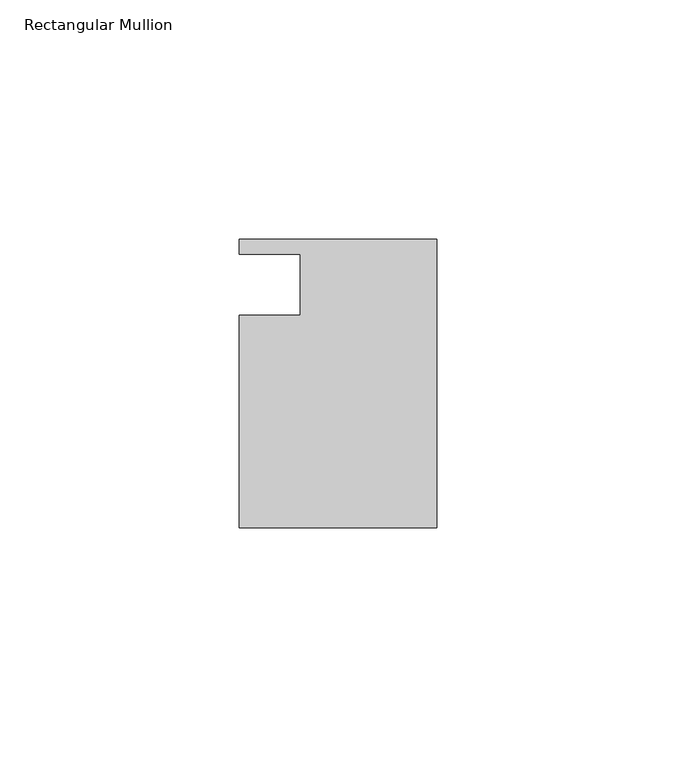
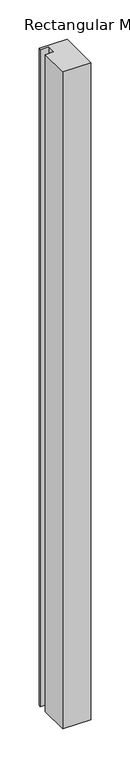
"""IFC4 building model written with IfcOpenShell, lengths in millimetres: member geometry, Rectangular Mullion."""

from ifc_helpers import new_model, si_unit, frame, origin, place, context, project, spatial, polyline, outline, extrude, source, transform, mapped, element, save


def rectangular_mullion_dc16f466(model_context):
    return source(origin(), model_context, "Body", "SweptSolid", [
        extrude(outline(polyline([(0.0, -30.1625), (-41.275, -30.1625), (-41.275, 14.2875), (-28.575, 14.2875), (-28.575, 26.9875), (-41.275, 26.9875), (-41.275, 30.1625), (0.0, 30.1625), (0.0, -30.1625)])), frame((0.0, 0.0, -1025.525), z_axis=(0.0, 0.0, 1.0), x_axis=(1.0, 0.0, 0.0)), (0.0, 0.0, 1.0), 1025.525),
    ])


if __name__ == "__main__":
    model = new_model("IFC4")
    model_context = context("Model", 3, world=origin())
    ifc_project = project(units=[si_unit("LENGTHUNIT", "METRE", prefix="MILLI")], contexts=[model_context])
    site = spatial("IfcSite", under=ifc_project)
    building = spatial("IfcBuilding", under=site)
    placement = place(None, origin())
    rectangular_mullion_shape = rectangular_mullion_dc16f466(model_context)
    element("IfcMember", 1, ObjectType="Rectangular Mullion", at=placement, inside=building, context=model_context, shape_type="MappedRepresentation", body=[
        mapped(rectangular_mullion_shape, transform((0.0, 0.0, 0.0), x_axis=(1.0, 0.0, 0.0), y_axis=(0.0, 1.0, 0.0), z_axis=(0.0, 0.0, 1.0))),
    ])
    save(model, "model.ifc")
